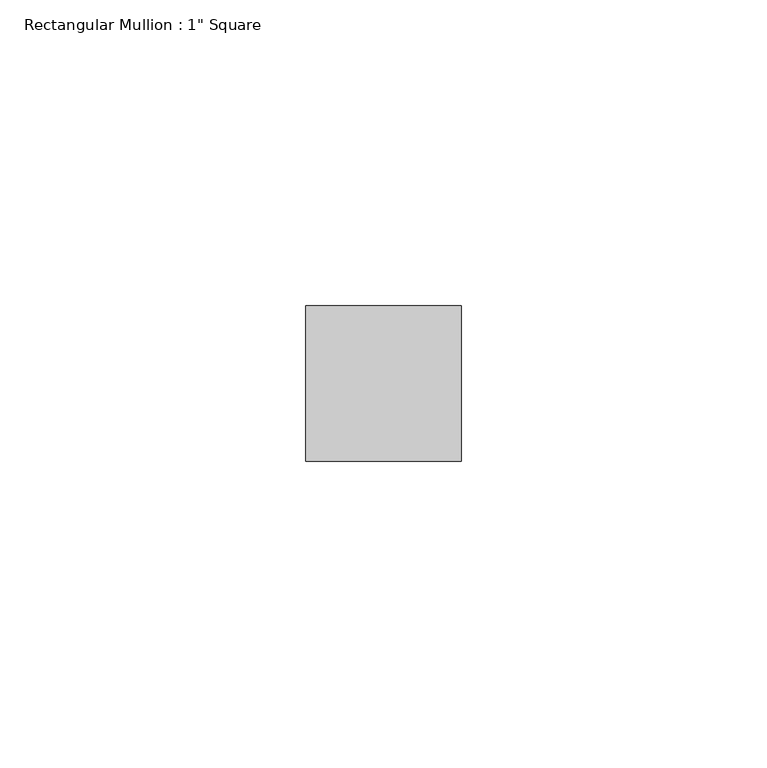
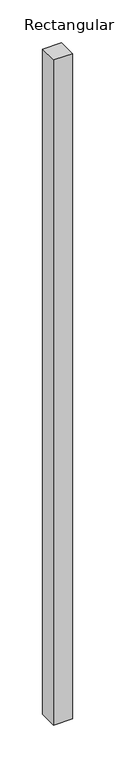
"""IFC4 building model written with IfcOpenShell, lengths in millimetres: member geometry."""

from ifc_helpers import new_model, si_unit, frame, origin, place, context, project, spatial, polyline, outline, extrude, source, transform, mapped, element, save


def member_4b40d08f(model_context):
    return source(origin(), model_context, "Body", "SweptSolid", [
        extrude(outline(polyline([(0.0, 12.7), (0.0, -12.7), (-25.4, -12.7), (-25.4, 12.7), (0.0, 12.7)])), frame((0.0, 0.0, -948.8811964), z_axis=(0.0, 0.0, 1.0), x_axis=(1.0, 0.0, 0.0)), (0.0, 0.0, 1.0), 948.8811964),
    ])


if __name__ == "__main__":
    model = new_model("IFC4")
    model_context = context("Model", 3, world=origin())
    ifc_project = project(units=[si_unit("LENGTHUNIT", "METRE", prefix="MILLI")], contexts=[model_context])
    site = spatial("IfcSite", under=ifc_project)
    building = spatial("IfcBuilding", under=site)
    placement = place(None, origin())
    member_shape = member_4b40d08f(model_context)
    element("IfcMember", 1, ObjectType="Rectangular Mullion : 1\" Square", at=placement, inside=building, context=model_context, shape_type="MappedRepresentation", body=[
        mapped(member_shape, transform((0.0, 0.0, 0.0), x_axis=(1.0, 0.0, 0.0), y_axis=(0.0, 1.0, 0.0), z_axis=(0.0, 0.0, 1.0))),
    ])
    save(model, "model.ifc")
